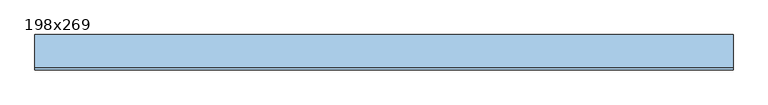
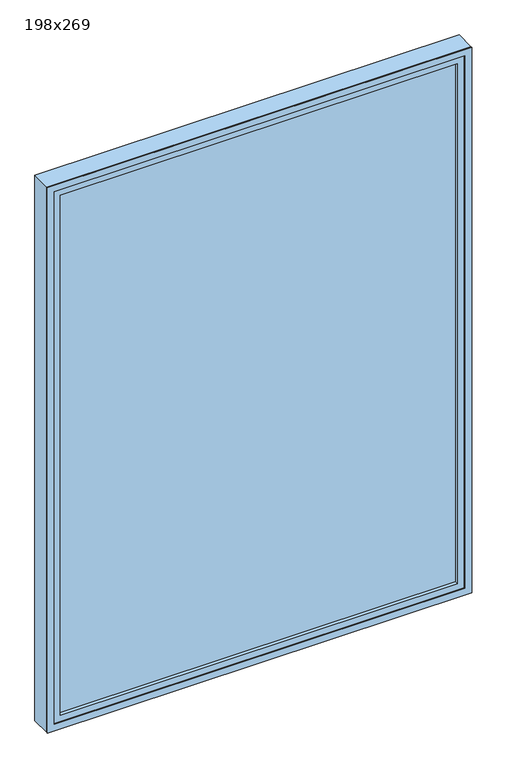
"""IFC4 building model written with IfcOpenShell, lengths in millimetres: window geometry, 198x269."""

from ifc_helpers import new_model, si_unit, frame, origin, place, context, project, spatial, polyline, outline, extrude, source, transform, mapped, element, save


def window_198x269_e25371fd(model_context):
    return source(origin(), model_context, "Body", "SweptSolid", [
        extrude(outline(polyline([(888.4, -28.575), (-964.6, -28.575), (-964.6, -15.875), (888.4, -15.875), (888.4, -28.575)])), frame((0.0, 0.0, 977.9), z_axis=(0.0, 0.0, 1.0), x_axis=(1.0, 0.0, 0.0)), (0.0, 0.0, 1.0), 2563.0),
        extrude(outline(polyline([(3585.35, -1009.05), (933.45, -1009.05), (933.45, 932.85), (3585.35, 932.85), (3585.35, -1009.05)]), holes=[polyline([(3540.9, -964.6), (3540.9, 888.4), (977.9, 888.4), (977.9, -964.6), (3540.9, -964.6)])]), frame((0.0, -44.45, 0.0), z_axis=(0.0, 1.0, 0.0), x_axis=(0.0, 0.0, 1.0)), (0.0, 0.0, 1.0), 44.45),
        extrude(outline(polyline([(3604.4, -1028.1), (914.4, -1028.1), (914.4, 951.9), (3604.4, 951.9), (3604.4, -1028.1)]), holes=[polyline([(3572.65, -996.35), (3572.65, 920.15), (946.15, 920.15), (946.15, -996.35), (3572.65, -996.35)])]), frame((0.0, -50.0, 0.0), z_axis=(0.0, 1.0, 0.0), x_axis=(0.0, 0.0, 1.0)), (0.0, 0.0, 1.0), 5.55),
        extrude(outline(polyline([(3604.4, 951.9), (3604.4, -1028.1), (914.4, -1028.1), (914.4, 951.9), (3604.4, 951.9)]), holes=[polyline([(3585.35, 932.85), (933.45, 932.85), (933.45, -1009.05), (3585.35, -1009.05), (3585.35, 932.85)])]), frame((0.0, -44.45, 0.0), z_axis=(0.0, 1.0, 0.0), x_axis=(0.0, 0.0, 1.0)), (0.0, 0.0, 1.0), 94.45),
    ])


if __name__ == "__main__":
    model = new_model("IFC4")
    model_context = context("Model", 3, world=origin())
    ifc_project = project(units=[si_unit("LENGTHUNIT", "METRE", prefix="MILLI")], contexts=[model_context])
    site = spatial("IfcSite", under=ifc_project)
    building = spatial("IfcBuilding", under=site)
    placement = place(None, origin())
    window_198x269_shape = window_198x269_e25371fd(model_context)
    element("IfcWindow", 1, ObjectType="198x269", at=placement, inside=building, context=model_context, shape_type="MappedRepresentation", body=[
        mapped(window_198x269_shape, transform((0.0, 0.0, 0.0), x_axis=(1.0, 0.0, 0.0), y_axis=(0.0, 1.0, 0.0), z_axis=(0.0, 0.0, 1.0))),
    ])
    save(model, "model.ifc")
